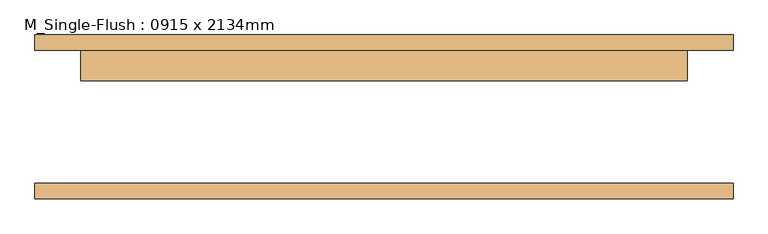
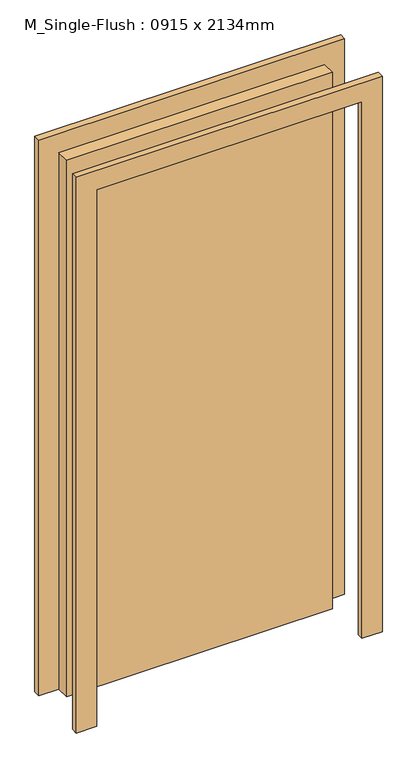
"""IFC4 building model written with IfcOpenShell, lengths in millimetres: door geometry, M_Single-Flush : 0915 x 2134mm."""

from ifc_helpers import new_model, si_unit, frame, origin, origin_with_axes, place, context, project, spatial, polyline, outline, extrude, source, transform, mapped, element, save


def m_single_flush_0915_x_2134mm_66c66dcb(model_context):
    return source(origin(), model_context, "Body", "SweptSolid", [
        extrude(outline(polyline([(2210.0, -576.0), (0.0, -576.0), (0.0, -500.0), (2134.0, -500.0), (2134.0, 500.0), (0.0, 500.0), (0.0, 576.0), (2210.0, 576.0), (2210.0, -576.0)])), frame((0.0, 110.0, 0.0), z_axis=(0.0, 1.0, 0.0), x_axis=(0.0, 0.0, 1.0)), (0.0, 0.0, 1.0), 25.0),
        extrude(outline(polyline([(2210.0, 576.0), (2210.0, -576.0), (0.0, -576.0), (0.0, -500.0), (2134.0, -500.0), (2134.0, 500.0), (0.0, 500.0), (0.0, 576.0), (2210.0, 576.0)])), frame((0.0, -135.0, 0.0), z_axis=(0.0, 1.0, 0.0), x_axis=(0.0, 0.0, 1.0)), (0.0, 0.0, 1.0), 25.0),
        extrude(outline(polyline([(500.0, 59.0), (-500.0, 59.0), (-500.0, 110.0), (500.0, 110.0), (500.0, 59.0)])), origin_with_axes(), (0.0, 0.0, 1.0), 2134.0),
    ])


if __name__ == "__main__":
    model = new_model("IFC4")
    model_context = context("Model", 3, world=origin())
    ifc_project = project(units=[si_unit("LENGTHUNIT", "METRE", prefix="MILLI")], contexts=[model_context])
    site = spatial("IfcSite", under=ifc_project)
    building = spatial("IfcBuilding", under=site)
    placement = place(None, origin())
    m_single_flush_0915_x_2134mm_shape = m_single_flush_0915_x_2134mm_66c66dcb(model_context)
    element("IfcDoor", 1, ObjectType="M_Single-Flush : 0915 x 2134mm", at=placement, inside=building, context=model_context, shape_type="MappedRepresentation", body=[
        mapped(m_single_flush_0915_x_2134mm_shape, transform((0.0, 0.0, 0.0), x_axis=(1.0, 0.0, 0.0), y_axis=(0.0, 1.0, 0.0), z_axis=(0.0, 0.0, 1.0))),
    ])
    save(model, "model.ifc")
